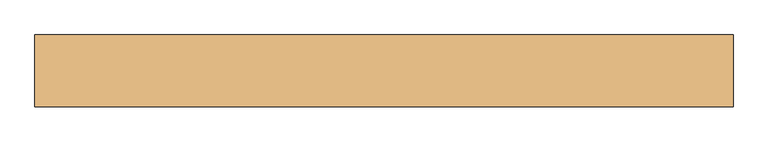
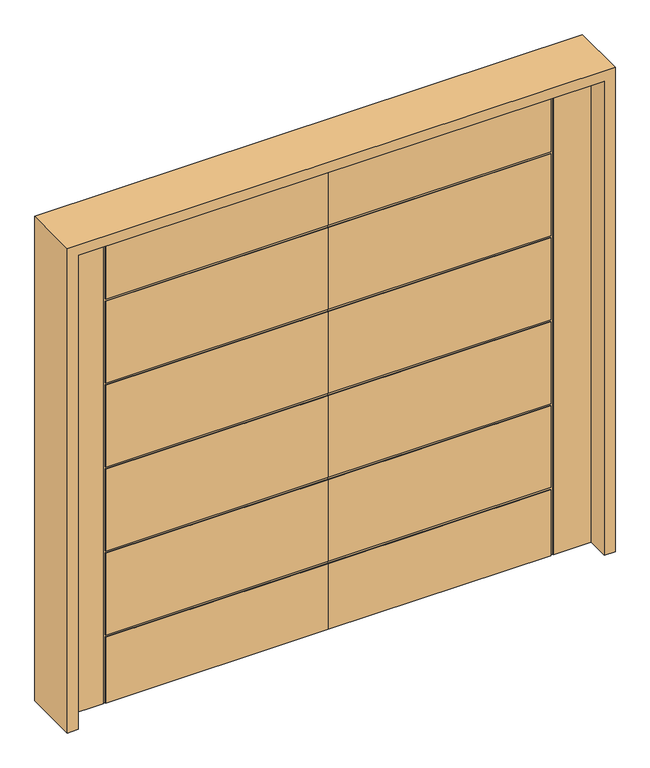
"""IFC4 building model written with IfcOpenShell, lengths in millimetres: door geometry."""

from ifc_helpers import new_model, si_unit, frame, origin, place, context, project, spatial, polyline, outline, extrude, faceted_brep, source, transform, mapped, element, save


def door_c58b692d(model_context):
    return source(origin(), model_context, "Body", "SolidModel", [
        faceted_brep([(0.0, -22.225, 0.0), (-903.224, -22.225, 0.0), (-903.224, -18.923, 0.0), (-913.13, -18.923, 0.0), (-913.13, -22.225, 0.0), (-1066.8, -22.225, 0.0), (-1066.8, 22.225, 0.0), (-913.13, 22.225, 0.0), (-913.13, 18.923, 0.0), (-903.224, 18.923, 0.0), (-903.224, 22.225, 0.0), (0.0, 22.225, 0.0), (0.0, -22.225, 2032.0), (0.0, -22.225, 1731.518), (0.0, -18.923, 1731.518), (0.0, -18.923, 1721.612), (0.0, -22.225, 1721.612), (0.0, -22.225, 1371.6), (0.0, -18.923, 1371.6), (0.0, -18.923, 1361.694), (0.0, -22.225, 1361.694), (0.0, -22.225, 1011.682), (0.0, -18.923, 1011.682), (0.0, -18.923, 1001.776), (0.0, -22.225, 1001.776), (0.0, -22.225, 651.764), (0.0, -18.923, 651.764), (0.0, -18.923, 641.858), (0.0, -22.225, 641.858), (0.0, -22.225, 291.846), (0.0, -18.923, 291.846), (0.0, -18.923, 281.94), (0.0, -22.225, 281.94), (0.0, 22.225, 281.94), (0.0, 18.923, 281.94), (0.0, 18.923, 291.846), (0.0, 22.225, 291.846), (0.0, 22.225, 641.858), (0.0, 18.923, 641.858), (0.0, 18.923, 651.764), (0.0, 22.225, 651.764), (0.0, 22.225, 1001.776), (0.0, 18.923, 1001.776), (0.0, 18.923, 1011.682), (0.0, 22.225, 1011.682), (0.0, 22.225, 1361.694), (0.0, 18.923, 1361.694), (0.0, 18.923, 1371.6), (0.0, 22.225, 1371.6), (0.0, 22.225, 1721.612), (0.0, 18.923, 1721.612), (0.0, 18.923, 1731.518), (0.0, 22.225, 1731.518), (0.0, 22.225, 2032.0), (-903.224, 22.225, 1731.518), (-903.224, 22.225, 2032.0), (-903.224, 22.225, 281.94), (-903.224, 22.225, 291.846), (-903.224, 22.225, 641.858), (-903.224, 22.225, 651.764), (-903.224, 22.225, 1001.776), (-903.224, 22.225, 1011.682), (-903.224, 22.225, 1361.694), (-903.224, 22.225, 1371.6), (-903.224, 22.225, 1721.612), (-1066.8, 22.225, 2032.0), (-913.13, 22.225, 2032.0), (-903.224, 18.923, 281.94), (-903.224, 18.923, 291.846), (-913.13, 18.923, 2032.0), (-903.224, 18.923, 2032.0), (-903.224, 18.923, 1731.518), (-903.224, 18.923, 1721.612), (-903.224, 18.923, 1371.6), (-903.224, 18.923, 1361.694), (-903.224, 18.923, 1011.682), (-903.224, 18.923, 1001.776), (-903.224, 18.923, 651.764), (-903.224, 18.923, 641.858), (-1066.8, -22.225, 2032.0), (-913.13, -22.225, 2032.0), (-903.224, -22.225, 281.94), (-903.224, -22.225, 641.858), (-903.224, -22.225, 291.846), (-903.224, -22.225, 1001.776), (-903.224, -22.225, 651.764), (-903.224, -22.225, 2032.0), (-903.224, -22.225, 1731.518), (-903.224, -22.225, 1361.694), (-903.224, -22.225, 1011.682), (-903.224, -22.225, 1721.612), (-903.224, -22.225, 1371.6), (-913.13, -18.923, 2032.0), (-903.224, -18.923, 2032.0), (-903.224, -18.923, 291.846), (-903.224, -18.923, 641.858), (-903.224, -18.923, 651.764), (-903.224, -18.923, 1001.776), (-903.224, -18.923, 1011.682), (-903.224, -18.923, 1361.694), (-903.224, -18.923, 1371.6), (-903.224, -18.923, 1721.612), (-903.224, -18.923, 1731.518), (-903.224, -18.923, 281.94)], [[[0, 1, 2, 3, 4, 5, 6, 7, 8, 9, 10, 11]], [[12, 13, 14, 15, 16, 17, 18, 19, 20, 21, 22, 23, 24, 25, 26, 27, 28, 29, 30, 31, 32, 0, 11, 33, 34, 35, 36, 37, 38, 39, 40, 41, 42, 43, 44, 45, 46, 47, 48, 49, 50, 51, 52, 53]], [[53, 52, 54, 55]], [[10, 56, 33, 11]], [[36, 57, 58, 37]], [[40, 59, 60, 41]], [[44, 61, 62, 45]], [[48, 63, 64, 49]], [[65, 66, 7, 6]], [[67, 56, 10, 9]], [[68, 35, 34, 67, 9, 8, 69, 70, 71, 51, 50, 72, 73, 47, 46, 74, 75, 43, 42, 76, 77, 39, 38, 78]], [[65, 6, 5, 79]], [[5, 4, 80, 79]], [[0, 32, 81, 1]], [[28, 82, 83, 29]], [[24, 84, 85, 25]], [[86, 87, 13, 12]], [[20, 88, 89, 21]], [[16, 90, 91, 17]], [[34, 33, 56, 67]], [[38, 37, 58, 78]], [[78, 58, 57, 68]], [[68, 57, 36, 35]], [[42, 41, 60, 76]], [[76, 60, 59, 77]], [[77, 59, 40, 39]], [[74, 62, 61, 75]], [[75, 61, 44, 43]], [[79, 80, 92, 93, 86, 12, 53, 55, 70, 69, 66, 65]], [[46, 45, 62, 74]], [[73, 63, 48, 47]], [[72, 64, 63, 73]], [[50, 49, 64, 72]], [[71, 54, 52, 51]], [[70, 55, 54, 71]], [[8, 7, 66, 69]], [[92, 80, 4, 3]], [[94, 95, 27, 26, 96, 97, 23, 22, 98, 99, 19, 18, 100, 101, 15, 14, 102, 93, 92, 3, 2, 103, 31, 30]], [[2, 1, 81, 103]], [[103, 81, 32, 31]], [[30, 29, 83, 94]], [[94, 83, 82, 95]], [[95, 82, 28, 27]], [[26, 25, 85, 96]], [[96, 85, 84, 97]], [[97, 84, 24, 23]], [[22, 21, 89, 98]], [[98, 89, 88, 99]], [[99, 88, 20, 19]], [[18, 17, 91, 100]], [[100, 91, 90, 101]], [[101, 90, 16, 15]], [[14, 13, 87, 102]], [[102, 87, 86, 93]]]),
        faceted_brep([(0.0, -22.225, 0.0), (0.0, 22.225, 0.0), (903.224, 22.225, 0.0), (903.224, 18.923, 0.0), (913.13, 18.923, 0.0), (913.13, 22.225, 0.0), (1066.8, 22.225, 0.0), (1066.8, -22.225, 0.0), (913.13, -22.225, 0.0), (913.13, -18.923, 0.0), (903.224, -18.923, 0.0), (903.224, -22.225, 0.0), (0.0, -22.225, 2032.0), (0.0, 22.225, 2032.0), (0.0, 22.225, 1731.518), (0.0, 18.923, 1731.518), (0.0, 18.923, 1721.612), (0.0, 22.225, 1721.612), (0.0, 22.225, 1371.6), (0.0, 18.923, 1371.6), (0.0, 18.923, 1361.694), (0.0, 22.225, 1361.694), (0.0, 22.225, 1011.682), (0.0, 18.923, 1011.682), (0.0, 18.923, 1001.776), (0.0, 22.225, 1001.776), (0.0, 22.225, 651.764), (0.0, 18.923, 651.764), (0.0, 18.923, 641.858), (0.0, 22.225, 641.858), (0.0, 22.225, 291.846), (0.0, 18.923, 291.846), (0.0, 18.923, 281.94), (0.0, 22.225, 281.94), (0.0, -22.225, 281.94), (0.0, -18.923, 281.94), (0.0, -18.923, 291.846), (0.0, -22.225, 291.846), (0.0, -22.225, 641.858), (0.0, -18.923, 641.858), (0.0, -18.923, 651.764), (0.0, -22.225, 651.764), (0.0, -22.225, 1001.776), (0.0, -18.923, 1001.776), (0.0, -18.923, 1011.682), (0.0, -22.225, 1011.682), (0.0, -22.225, 1361.694), (0.0, -18.923, 1361.694), (0.0, -18.923, 1371.6), (0.0, -22.225, 1371.6), (0.0, -22.225, 1721.612), (0.0, -18.923, 1721.612), (0.0, -18.923, 1731.518), (0.0, -22.225, 1731.518), (903.224, 22.225, 281.94), (903.224, 22.225, 1721.612), (903.224, 22.225, 1371.6), (903.224, 22.225, 1361.694), (903.224, 22.225, 1011.682), (903.224, 22.225, 1001.776), (903.224, 22.225, 651.764), (903.224, 22.225, 641.858), (903.224, 22.225, 291.846), (1066.8, 22.225, 2032.0), (913.13, 22.225, 2032.0), (903.224, 22.225, 2032.0), (903.224, 22.225, 1731.518), (903.224, 18.923, 281.94), (903.224, 18.923, 291.846), (903.224, 18.923, 641.858), (903.224, 18.923, 651.764), (903.224, 18.923, 1001.776), (903.224, 18.923, 1011.682), (903.224, 18.923, 1361.694), (903.224, 18.923, 1371.6), (903.224, 18.923, 1721.612), (903.224, 18.923, 1731.518), (903.224, 18.923, 2032.0), (913.13, 18.923, 2032.0), (1066.8, -22.225, 2032.0), (903.224, -22.225, 281.94), (913.13, -22.225, 2032.0), (903.224, -22.225, 291.846), (903.224, -22.225, 641.858), (903.224, -22.225, 651.764), (903.224, -22.225, 1001.776), (903.224, -22.225, 1011.682), (903.224, -22.225, 1361.694), (903.224, -22.225, 1371.6), (903.224, -22.225, 1721.612), (903.224, -22.225, 2032.0), (903.224, -22.225, 1731.518), (903.224, -18.923, 2032.0), (913.13, -18.923, 2032.0), (903.224, -18.923, 291.846), (903.224, -18.923, 281.94), (903.224, -18.923, 1731.518), (903.224, -18.923, 1721.612), (903.224, -18.923, 1371.6), (903.224, -18.923, 1361.694), (903.224, -18.923, 1011.682), (903.224, -18.923, 1001.776), (903.224, -18.923, 651.764), (903.224, -18.923, 641.858)], [[[0, 1, 2, 3, 4, 5, 6, 7, 8, 9, 10, 11]], [[12, 13, 14, 15, 16, 17, 18, 19, 20, 21, 22, 23, 24, 25, 26, 27, 28, 29, 30, 31, 32, 33, 1, 0, 34, 35, 36, 37, 38, 39, 40, 41, 42, 43, 44, 45, 46, 47, 48, 49, 50, 51, 52, 53]], [[2, 1, 33, 54]], [[18, 17, 55, 56]], [[22, 21, 57, 58]], [[26, 25, 59, 60]], [[30, 29, 61, 62]], [[63, 6, 5, 64]], [[13, 65, 66, 14]], [[67, 3, 2, 54]], [[68, 69, 28, 27, 70, 71, 24, 23, 72, 73, 20, 19, 74, 75, 16, 15, 76, 77, 78, 4, 3, 67, 32, 31]], [[63, 79, 7, 6]], [[0, 11, 80, 34]], [[7, 79, 81, 8]], [[38, 37, 82, 83]], [[42, 41, 84, 85]], [[46, 45, 86, 87]], [[50, 49, 88, 89]], [[90, 12, 53, 91]], [[32, 67, 54, 33]], [[28, 69, 61, 29]], [[69, 68, 62, 61]], [[68, 31, 30, 62]], [[24, 71, 59, 25]], [[71, 70, 60, 59]], [[70, 27, 26, 60]], [[73, 72, 58, 57]], [[72, 23, 22, 58]], [[79, 63, 64, 78, 77, 65, 13, 12, 90, 92, 93, 81]], [[20, 73, 57, 21]], [[74, 19, 18, 56]], [[75, 74, 56, 55]], [[16, 75, 55, 17]], [[76, 15, 14, 66]], [[77, 76, 66, 65]], [[4, 78, 64, 5]], [[93, 9, 8, 81]], [[94, 36, 35, 95, 10, 9, 93, 92, 96, 52, 51, 97, 98, 48, 47, 99, 100, 44, 43, 101, 102, 40, 39, 103]], [[10, 95, 80, 11]], [[95, 35, 34, 80]], [[36, 94, 82, 37]], [[94, 103, 83, 82]], [[103, 39, 38, 83]], [[40, 102, 84, 41]], [[102, 101, 85, 84]], [[101, 43, 42, 85]], [[44, 100, 86, 45]], [[100, 99, 87, 86]], [[99, 47, 46, 87]], [[48, 98, 88, 49]], [[98, 97, 89, 88]], [[97, 51, 50, 89]], [[52, 96, 91, 53]], [[96, 92, 90, 91]]]),
        extrude(outline(polyline([(0.0, -1111.25), (0.0, -1066.8), (2032.0, -1066.8), (2032.0, 1066.8), (0.0, 1066.8), (0.0, 1111.25), (2076.45, 1111.25), (2076.45, -1111.25), (0.0, -1111.25)])), frame((0.0, -114.3, 0.0), z_axis=(0.0, 1.0, 0.0), x_axis=(0.0, 0.0, 1.0)), (0.0, 0.0, 1.0), 228.6),
    ])


if __name__ == "__main__":
    model = new_model("IFC4")
    model_context = context("Model", 3, world=origin())
    ifc_project = project(units=[si_unit("LENGTHUNIT", "METRE", prefix="MILLI")], contexts=[model_context])
    site = spatial("IfcSite", under=ifc_project)
    building = spatial("IfcBuilding", under=site)
    placement = place(None, origin())
    door_shape = door_c58b692d(model_context)
    element("IfcDoor", 1, at=placement, inside=building, context=model_context, shape_type="MappedRepresentation", body=[
        mapped(door_shape, transform((0.0, 0.0, 0.0), x_axis=(1.0, 0.0, 0.0), y_axis=(0.0, 1.0, 0.0), z_axis=(0.0, 0.0, 1.0))),
    ])
    save(model, "model.ifc")
